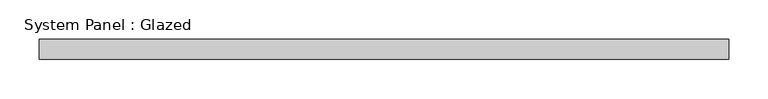
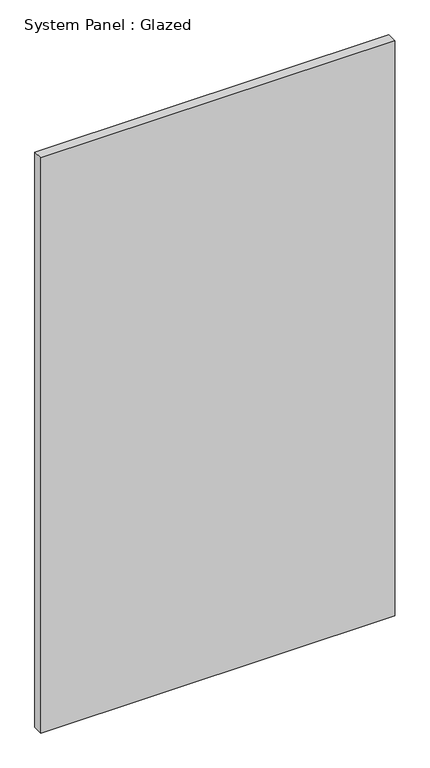
"""IFC4 building model written with IfcOpenShell, lengths in millimetres: plate geometry, System Panel : Glazed."""

from ifc_helpers import new_model, si_unit, origin, origin_with_axes, place, context, project, spatial, polyline, outline, extrude, source, transform, mapped, element, save


def system_panel_glazed_9b93313b(model_context):
    return source(origin(), model_context, "Body", "SweptSolid", [
        extrude(outline(polyline([(436.6666667, -49.5), (-436.6666667, -49.5), (-436.6666667, -24.5), (436.6666667, -24.5), (436.6666667, -49.5)])), origin_with_axes(), (0.0, 0.0, 1.0), 1500.0),
    ])


if __name__ == "__main__":
    model = new_model("IFC4")
    model_context = context("Model", 3, world=origin())
    ifc_project = project(units=[si_unit("LENGTHUNIT", "METRE", prefix="MILLI")], contexts=[model_context])
    site = spatial("IfcSite", under=ifc_project)
    building = spatial("IfcBuilding", under=site)
    placement = place(None, origin())
    system_panel_glazed_shape = system_panel_glazed_9b93313b(model_context)
    element("IfcPlate", 1, ObjectType="System Panel : Glazed", at=placement, inside=building, context=model_context, shape_type="MappedRepresentation", body=[
        mapped(system_panel_glazed_shape, transform((0.0, 0.0, 0.0), x_axis=(1.0, 0.0, 0.0), y_axis=(0.0, 1.0, 0.0), z_axis=(0.0, 0.0, 1.0))),
    ])
    save(model, "model.ifc")
